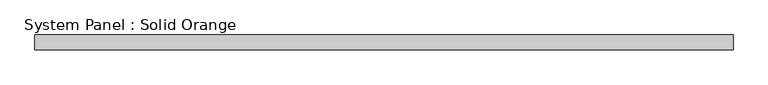
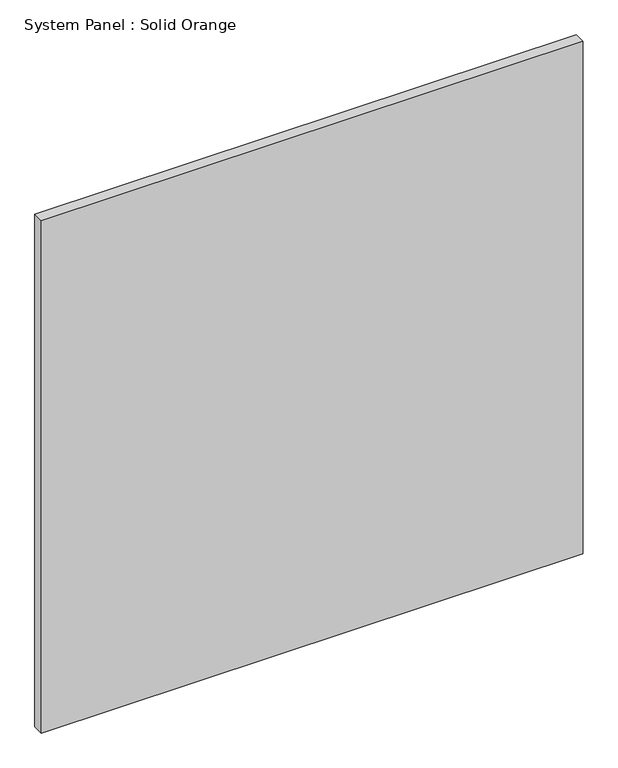
"""IFC4 building model written with IfcOpenShell, lengths in millimetres: plate geometry, System Panel : Solid Orange."""

from ifc_helpers import new_model, si_unit, origin, origin_with_axes, place, context, project, spatial, polyline, outline, extrude, source, transform, mapped, element, save


def system_panel_solid_orange_4789de56(model_context):
    return source(origin(), model_context, "Body", "SweptSolid", [
        extrude(outline(polyline([(1425.0, -30.0), (-1425.0, -30.0), (-1425.0, 30.0), (1425.0, 30.0), (1425.0, -30.0)])), origin_with_axes(), (0.0, 0.0, 1.0), 2850.0),
    ])


if __name__ == "__main__":
    model = new_model("IFC4")
    model_context = context("Model", 3, world=origin())
    ifc_project = project(units=[si_unit("LENGTHUNIT", "METRE", prefix="MILLI")], contexts=[model_context])
    site = spatial("IfcSite", under=ifc_project)
    building = spatial("IfcBuilding", under=site)
    placement = place(None, origin())
    system_panel_solid_orange_shape = system_panel_solid_orange_4789de56(model_context)
    element("IfcPlate", 1, ObjectType="System Panel : Solid Orange", at=placement, inside=building, context=model_context, shape_type="MappedRepresentation", body=[
        mapped(system_panel_solid_orange_shape, transform((0.0, 0.0, 0.0), x_axis=(1.0, 0.0, 0.0), y_axis=(0.0, 1.0, 0.0), z_axis=(0.0, 0.0, 1.0))),
    ])
    save(model, "model.ifc")
